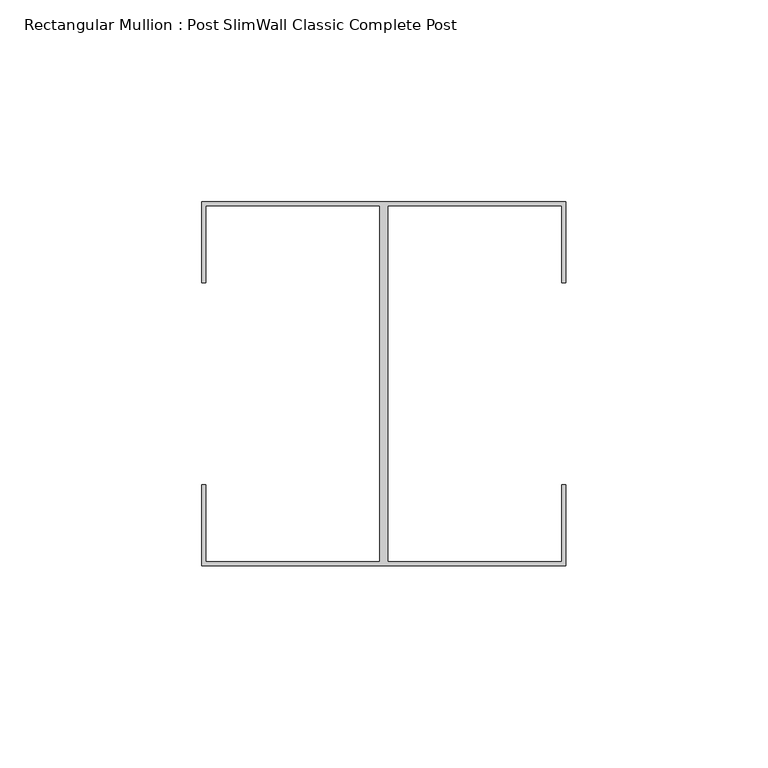
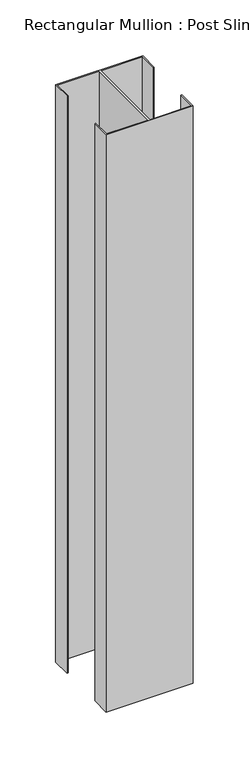
"""IFC4 building model written with IfcOpenShell, lengths in millimetres: member geometry, Rectangular Mullion : Post SlimWall Classic Complete Post."""

from ifc_helpers import new_model, si_unit, frame, origin, place, context, project, spatial, polyline, outline, extrude, source, transform, mapped, element, save


def rectangular_mullion_post_slimwall_classic_complete_post_2bc96129(model_context):
    return source(origin(), model_context, "Body", "SweptSolid", [
        extrude(outline(polyline([(44.05, 44.05), (1.0, 44.05), (1.0, -44.05), (44.05, -44.05), (44.05, -25.0), (45.0, -25.0), (45.0, -45.0), (-45.0, -45.0), (-45.0, -25.0), (-44.05, -25.0), (-44.05, -44.05), (-1.0, -44.05), (-1.0, 44.05), (-44.05, 44.05), (-44.05, 25.0), (-45.0, 25.0), (-45.0, 45.0), (45.0, 45.0), (45.0, 25.0), (44.05, 25.0), (44.05, 44.05)])), frame((0.0, 0.0, -630.0), z_axis=(0.0, 0.0, 1.0), x_axis=(1.0, 0.0, 0.0)), (0.0, 0.0, 1.0), 630.0),
    ])


if __name__ == "__main__":
    model = new_model("IFC4")
    model_context = context("Model", 3, world=origin())
    ifc_project = project(units=[si_unit("LENGTHUNIT", "METRE", prefix="MILLI")], contexts=[model_context])
    site = spatial("IfcSite", under=ifc_project)
    building = spatial("IfcBuilding", under=site)
    placement = place(None, origin())
    rectangular_mullion_post_slimwall_classic_complete_post_shape = rectangular_mullion_post_slimwall_classic_complete_post_2bc96129(model_context)
    element("IfcMember", 1, ObjectType="Rectangular Mullion : Post SlimWall Classic Complete Post", at=placement, inside=building, context=model_context, shape_type="MappedRepresentation", body=[
        mapped(rectangular_mullion_post_slimwall_classic_complete_post_shape, transform((0.0, 0.0, 0.0), x_axis=(1.0, 0.0, 0.0), y_axis=(0.0, 1.0, 0.0), z_axis=(0.0, 0.0, 1.0))),
    ])
    save(model, "model.ifc")
